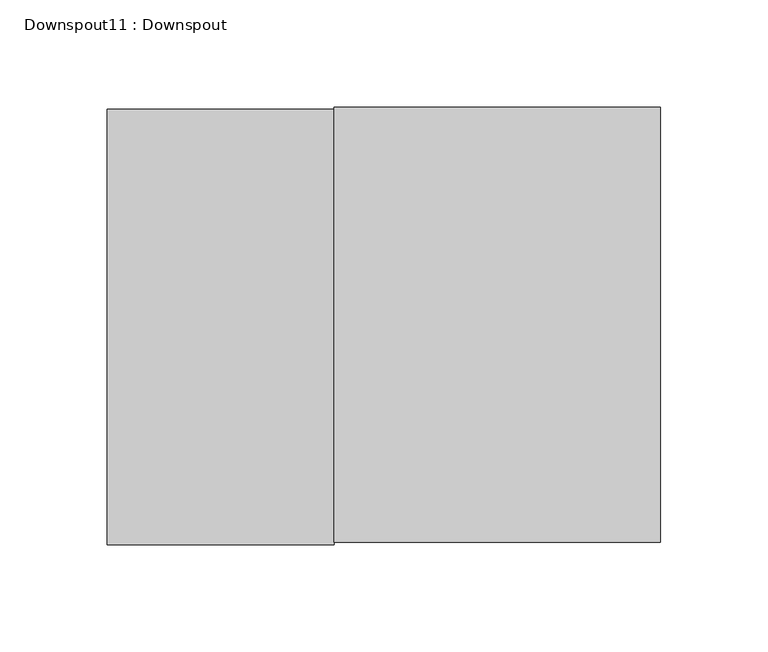
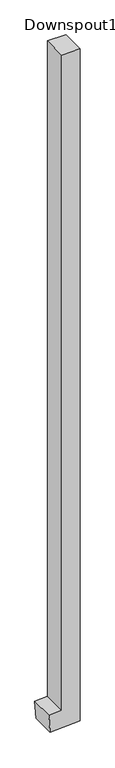
"""IFC4 building model written with IfcOpenShell, lengths in millimetres: proxy geometry, Downspout11 : Downspout."""

from ifc_helpers import new_model, si_unit, frame, origin, place, context, project, spatial, polyline, outline, extrude, source, transform, mapped, element, save


def downspout11_downspout_b8b7c586(model_context):
    return source(origin(), model_context, "Body", "SweptSolid", [
        extrude(outline(polyline([(-67.7173287, 191546.7557747), (5838.6160306, 191546.7557747), (5838.6160306, 191394.3557747), (75.4550374, 191394.3557747), (68.8238528, 191288.256821), (-83.2793602, 191297.7632718), (-67.7173287, 191546.7557747)])), frame((0.0, 263514.7980843, 0.0), z_axis=(0.0, 1.0, 0.0), x_axis=(0.0, 0.0, 1.0)), (0.0, 0.0, 1.0), 203.2),
    ])


if __name__ == "__main__":
    model = new_model("IFC4")
    model_context = context("Model", 3, world=origin())
    ifc_project = project(units=[si_unit("LENGTHUNIT", "METRE", prefix="MILLI")], contexts=[model_context])
    site = spatial("IfcSite", under=ifc_project)
    building = spatial("IfcBuilding", under=site)
    placement = place(None, origin())
    downspout11_downspout_shape = downspout11_downspout_b8b7c586(model_context)
    element("IfcBuildingElementProxy", 1, Name="Downspout11 : Downspout", ObjectType="Downspout11 : Downspout", at=placement, inside=building, context=model_context, shape_type="MappedRepresentation", body=[
        mapped(downspout11_downspout_shape, transform((0.0, 0.0, 0.0), x_axis=(1.0, 0.0, 0.0), y_axis=(0.0, 1.0, 0.0), z_axis=(0.0, 0.0, 1.0))),
    ])
    save(model, "model.ifc")
